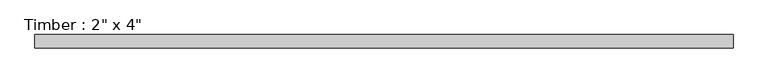
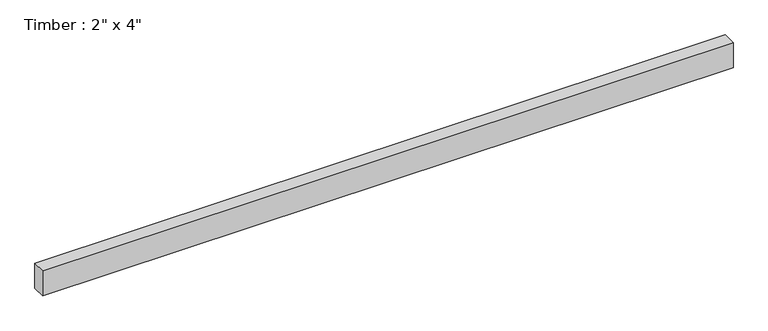
"""IFC4 building model written with IfcOpenShell, lengths in millimetres: beam geometry."""

from ifc_helpers import new_model, si_unit, frame, origin, place, context, project, spatial, polyline, outline, extrude, source, transform, mapped, element, save


def beam_091d1c04(model_context):
    return source(origin(), model_context, "Body", "SweptSolid", [
        extrude(outline(polyline([(1323.2970423, 25.4), (1323.2970423, -25.4), (-1323.2970423, -25.4), (-1323.2970423, 25.4), (1323.2970423, 25.4)])), frame((0.0, 0.0, -50.8), z_axis=(0.0, 0.0, 1.0), x_axis=(1.0, 0.0, 0.0)), (0.0, 0.0, 1.0), 101.6),
    ])


if __name__ == "__main__":
    model = new_model("IFC4")
    model_context = context("Model", 3, world=origin())
    ifc_project = project(units=[si_unit("LENGTHUNIT", "METRE", prefix="MILLI")], contexts=[model_context])
    site = spatial("IfcSite", under=ifc_project)
    building = spatial("IfcBuilding", under=site)
    placement = place(None, origin())
    beam_shape = beam_091d1c04(model_context)
    element("IfcBeam", 1, ObjectType="Timber : 2\" x 4\"", at=placement, inside=building, context=model_context, shape_type="MappedRepresentation", body=[
        mapped(beam_shape, transform((0.0, 0.0, 0.0), x_axis=(1.0, 0.0, 0.0), y_axis=(0.0, 1.0, 0.0), z_axis=(0.0, 0.0, 1.0))),
    ])
    save(model, "model.ifc")
